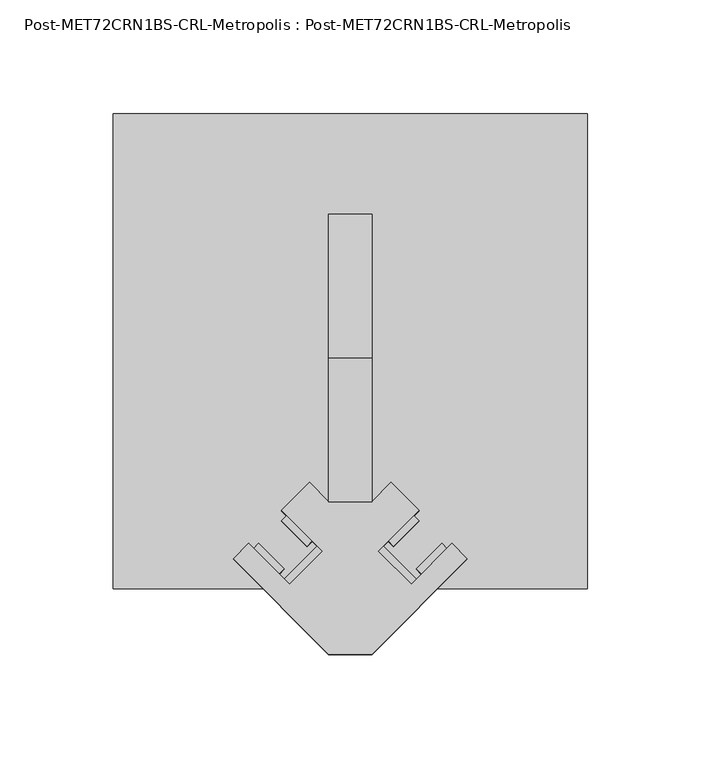
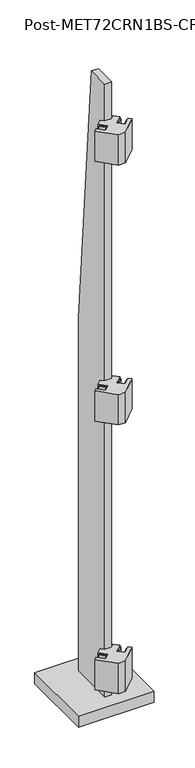
"""IFC4 building model written with IfcOpenShell, lengths in millimetres: proxy geometry, Post-MET72CRN1BS-CRL-Metropolis : Post-MET72CRN1BS-CRL-Metropolis."""

from ifc_helpers import new_model, si_unit, frame, origin, origin_with_axes, place, context, project, spatial, polyline, outline, extrude, source, transform, mapped, element, save


def post_met72crn1bs_crl_metropolis_post_met72crn1bs_crl_b62dafe0(model_context):
    return source(origin(), model_context, "Body", "SweptSolid", [
        extrude(outline(polyline([(12.3478522, -98.0728522), (14.5929162, -95.8277881), (29.1858324, -110.4207043), (26.9407684, -112.6657684), (12.3478522, -98.0728522)])), frame((0.0, 0.0, 1635.125), z_axis=(0.0, 0.0, 1.0), x_axis=(1.0, 0.0, 0.0)), (0.0, 0.0, 1.0), 82.55),
        extrude(outline(polyline([(19.0830443, -95.8277881), (16.8379802, -93.5827241), (28.0633004, -82.357404), (30.3083644, -84.602468), (19.0830443, -95.8277881)])), frame((0.0, 0.0, 1635.125), z_axis=(0.0, 0.0, 1.0), x_axis=(1.0, 0.0, 0.0)), (0.0, 0.0, 1.0), 82.55),
        extrude(outline(polyline([(31.4308964, -108.1756403), (29.1858324, -105.9305763), (40.4111525, -94.7052561), (42.6562166, -96.9503202), (31.4308964, -108.1756403)])), frame((0.0, 0.0, 1635.125), z_axis=(0.0, 0.0, 1.0), x_axis=(1.0, 0.0, 0.0)), (0.0, 0.0, 1.0), 82.55),
        extrude(outline(polyline([(-26.9407684, -112.6657684), (-29.1858324, -110.4207043), (-14.5929162, -95.8277881), (-12.3478522, -98.0728522), (-26.9407684, -112.6657684)])), frame((0.0, 0.0, 1635.125), z_axis=(0.0, 0.0, 1.0), x_axis=(1.0, 0.0, 0.0)), (0.0, 0.0, 1.0), 82.55),
        extrude(outline(polyline([(-42.6562166, -96.9503202), (-40.4111525, -94.7052561), (-29.1858324, -105.9305763), (-31.4308964, -108.1756403), (-42.6562166, -96.9503202)])), frame((0.0, 0.0, 1635.125), z_axis=(0.0, 0.0, 1.0), x_axis=(1.0, 0.0, 0.0)), (0.0, 0.0, 1.0), 82.55),
        extrude(outline(polyline([(-19.0830443, -95.8277881), (-30.3083644, -84.602468), (-28.0633004, -82.357404), (-16.8379802, -93.5827241), (-19.0830443, -95.8277881)])), frame((0.0, 0.0, 1635.125), z_axis=(0.0, 0.0, 1.0), x_axis=(1.0, 0.0, 0.0)), (0.0, 0.0, 1.0), 82.55),
        extrude(outline(polyline([(-51.6364727, -101.4404482), (-44.9012806, -94.7052561), (-26.9407684, -112.6657684), (-12.3478522, -98.0728522), (-30.3083644, -80.1123399), (-17.9605122, -67.7644878), (-9.525, -76.2), (9.525, -76.2), (17.9605122, -67.7644878), (30.3083644, -80.1123399), (12.3478522, -98.0728522), (26.9407684, -112.6657684), (44.9012806, -94.7052561), (51.6364727, -101.4404482), (9.525, -143.5519209), (-9.525, -143.5519209), (-51.6364727, -101.4404482)])), frame((0.0, 0.0, 1631.95), z_axis=(0.0, 0.0, 1.0), x_axis=(1.0, 0.0, 0.0)), (0.0, 0.0, 1.0), 88.9),
        extrude(outline(polyline([(12.3478522, -98.0728522), (14.5929162, -95.8277881), (29.1858324, -110.4207043), (26.9407684, -112.6657684), (12.3478522, -98.0728522)])), frame((0.0, 0.0, 873.125), z_axis=(0.0, 0.0, 1.0), x_axis=(1.0, 0.0, 0.0)), (0.0, 0.0, 1.0), 82.55),
        extrude(outline(polyline([(19.0830443, -95.8277881), (16.8379802, -93.5827241), (28.0633004, -82.357404), (30.3083644, -84.602468), (19.0830443, -95.8277881)])), frame((0.0, 0.0, 873.125), z_axis=(0.0, 0.0, 1.0), x_axis=(1.0, 0.0, 0.0)), (0.0, 0.0, 1.0), 82.55),
        extrude(outline(polyline([(31.4308964, -108.1756403), (29.1858324, -105.9305763), (40.4111525, -94.7052561), (42.6562166, -96.9503202), (31.4308964, -108.1756403)])), frame((0.0, 0.0, 873.125), z_axis=(0.0, 0.0, 1.0), x_axis=(1.0, 0.0, 0.0)), (0.0, 0.0, 1.0), 82.55),
        extrude(outline(polyline([(-26.9407684, -112.6657684), (-29.1858324, -110.4207043), (-14.5929162, -95.8277881), (-12.3478522, -98.0728522), (-26.9407684, -112.6657684)])), frame((0.0, 0.0, 873.125), z_axis=(0.0, 0.0, 1.0), x_axis=(1.0, 0.0, 0.0)), (0.0, 0.0, 1.0), 82.55),
        extrude(outline(polyline([(-42.6562166, -96.9503202), (-40.4111525, -94.7052561), (-29.1858324, -105.9305763), (-31.4308964, -108.1756403), (-42.6562166, -96.9503202)])), frame((0.0, 0.0, 873.125), z_axis=(0.0, 0.0, 1.0), x_axis=(1.0, 0.0, 0.0)), (0.0, 0.0, 1.0), 82.55),
        extrude(outline(polyline([(-19.0830443, -95.8277881), (-30.3083644, -84.602468), (-28.0633004, -82.357404), (-16.8379802, -93.5827241), (-19.0830443, -95.8277881)])), frame((0.0, 0.0, 873.125), z_axis=(0.0, 0.0, 1.0), x_axis=(1.0, 0.0, 0.0)), (0.0, 0.0, 1.0), 82.55),
        extrude(outline(polyline([(-51.6364727, -101.4404482), (-44.9012806, -94.7052561), (-26.9407684, -112.6657684), (-12.3478522, -98.0728522), (-30.3083644, -80.1123399), (-17.9605122, -67.7644878), (-9.525, -76.2), (9.525, -76.2), (17.9605122, -67.7644878), (30.3083644, -80.1123399), (12.3478522, -98.0728522), (26.9407684, -112.6657684), (44.9012806, -94.7052561), (51.6364727, -101.4404482), (9.525, -143.5519209), (-9.525, -143.5519209), (-51.6364727, -101.4404482)])), frame((0.0, 0.0, 869.95), z_axis=(0.0, 0.0, 1.0), x_axis=(1.0, 0.0, 0.0)), (0.0, 0.0, 1.0), 88.9),
        extrude(outline(polyline([(12.3478522, -98.0728522), (14.5929162, -95.8277881), (29.1858324, -110.4207043), (26.9407684, -112.6657684), (12.3478522, -98.0728522)])), frame((0.0, 0.0, 85.725), z_axis=(0.0, 0.0, 1.0), x_axis=(1.0, 0.0, 0.0)), (0.0, 0.0, 1.0), 82.55),
        extrude(outline(polyline([(19.0830443, -95.8277881), (16.8379802, -93.5827241), (28.0633004, -82.357404), (30.3083644, -84.602468), (19.0830443, -95.8277881)])), frame((0.0, 0.0, 85.725), z_axis=(0.0, 0.0, 1.0), x_axis=(1.0, 0.0, 0.0)), (0.0, 0.0, 1.0), 82.55),
        extrude(outline(polyline([(31.4308964, -108.1756403), (29.1858324, -105.9305763), (40.4111525, -94.7052561), (42.6562166, -96.9503202), (31.4308964, -108.1756403)])), frame((0.0, 0.0, 85.725), z_axis=(0.0, 0.0, 1.0), x_axis=(1.0, 0.0, 0.0)), (0.0, 0.0, 1.0), 82.55),
        extrude(outline(polyline([(-26.9407684, -112.6657684), (-29.1858324, -110.4207043), (-14.5929162, -95.8277881), (-12.3478522, -98.0728522), (-26.9407684, -112.6657684)])), frame((0.0, 0.0, 85.725), z_axis=(0.0, 0.0, 1.0), x_axis=(1.0, 0.0, 0.0)), (0.0, 0.0, 1.0), 82.55),
        extrude(outline(polyline([(-42.6562166, -96.9503202), (-40.4111525, -94.7052561), (-29.1858324, -105.9305763), (-31.4308964, -108.1756403), (-42.6562166, -96.9503202)])), frame((0.0, 0.0, 85.725), z_axis=(0.0, 0.0, 1.0), x_axis=(1.0, 0.0, 0.0)), (0.0, 0.0, 1.0), 82.55),
        extrude(outline(polyline([(-19.0830443, -95.8277881), (-30.3083644, -84.602468), (-28.0633004, -82.357404), (-16.8379802, -93.5827241), (-19.0830443, -95.8277881)])), frame((0.0, 0.0, 85.725), z_axis=(0.0, 0.0, 1.0), x_axis=(1.0, 0.0, 0.0)), (0.0, 0.0, 1.0), 82.55),
        extrude(outline(polyline([(-51.6364727, -101.4404482), (-44.9012806, -94.7052561), (-26.9407684, -112.6657684), (-12.3478522, -98.0728522), (-30.3083644, -80.1123399), (-17.9605122, -67.7644878), (-9.525, -76.2), (9.525, -76.2), (17.9605122, -67.7644878), (30.3083644, -80.1123399), (12.3478522, -98.0728522), (26.9407684, -112.6657684), (44.9012806, -94.7052561), (51.6364727, -101.4404482), (9.525, -143.5519209), (-9.525, -143.5519209), (-51.6364727, -101.4404482)])), frame((0.0, 0.0, 82.55), z_axis=(0.0, 0.0, 1.0), x_axis=(1.0, 0.0, 0.0)), (0.0, 0.0, 1.0), 88.9),
        extrude(outline(polyline([(50.8, 1066.8), (50.8, 0.0), (-76.2, 0.0), (-76.2, 1828.8), (-12.7, 1828.8), (50.8, 1066.8)])), frame((-9.525, 0.0, 0.0), z_axis=(1.0, 0.0, 0.0), x_axis=(0.0, 1.0, 0.0)), (0.0, 0.0, 1.0), 19.05),
        extrude(outline(polyline([(104.775, 95.25), (104.775, -114.3), (-104.775, -114.3), (-104.775, 95.25), (104.775, 95.25)])), origin_with_axes(), (0.0, 0.0, 1.0), 31.75),
    ])


if __name__ == "__main__":
    model = new_model("IFC4")
    model_context = context("Model", 3, world=origin())
    ifc_project = project(units=[si_unit("LENGTHUNIT", "METRE", prefix="MILLI")], contexts=[model_context])
    site = spatial("IfcSite", under=ifc_project)
    building = spatial("IfcBuilding", under=site)
    placement = place(None, origin())
    post_met72crn1bs_crl_metropolis_post_met72crn1bs_crl_shape = post_met72crn1bs_crl_metropolis_post_met72crn1bs_crl_b62dafe0(model_context)
    element("IfcBuildingElementProxy", 1, Name="Post-MET72CRN1BS-CRL-Metropolis : Post-MET72CRN1BS-CRL-Metropolis", ObjectType="Post-MET72CRN1BS-CRL-Metropolis : Post-MET72CRN1BS-CRL-Metropolis", at=placement, inside=building, context=model_context, shape_type="MappedRepresentation", body=[
        mapped(post_met72crn1bs_crl_metropolis_post_met72crn1bs_crl_shape, transform((0.0, 0.0, 0.0), x_axis=(1.0, 0.0, 0.0), y_axis=(0.0, 1.0, 0.0), z_axis=(0.0, 0.0, 1.0))),
    ])
    save(model, "model.ifc")
